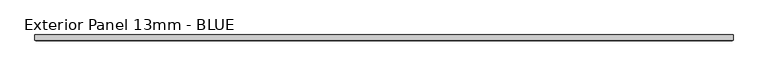
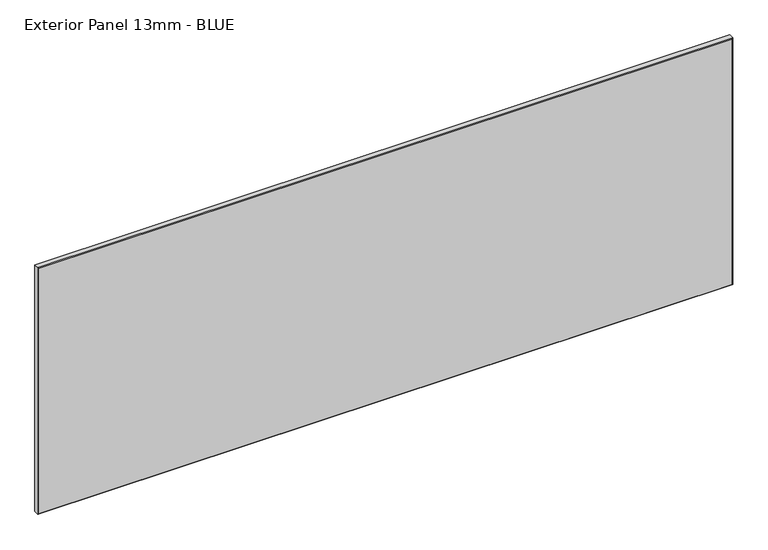
"""IFC4 building model written with IfcOpenShell, lengths in millimetres: proxy geometry, Exterior Panel 13mm - BLUE."""

from ifc_helpers import new_model, si_unit, origin, place, context, project, spatial, faceted_brep, source, transform, mapped, element, save


def exterior_panel_13mm_blue_fbe3d891(model_context):
    return source(origin(), model_context, "Body", "Brep", [
        faceted_brep([(1114.425, 6.35, 571.5), (-406.4, 6.35, 571.5), (-406.4, -4.7625, 571.5), (1114.425, -4.7625, 571.5), (1114.425, 6.35, 0.0), (1114.425, -4.7625, 0.0), (-406.4, -4.7625, 0.0), (-406.4, 6.35, 0.0), (-404.8125, -6.35, 569.9125), (-404.8125, -6.35, 1.5875), (1112.8375, -6.35, 1.5875), (1112.8375, -6.35, 569.9125)], [[[0, 1, 2, 3]], [[4, 5, 6, 7]], [[1, 0, 4, 7]], [[2, 1, 7, 6]], [[8, 9, 10, 11]], [[0, 3, 5, 4]], [[2, 6, 9, 8]], [[5, 3, 11, 10]], [[3, 2, 8, 11]], [[6, 5, 10, 9]]]),
    ])


if __name__ == "__main__":
    model = new_model("IFC4")
    model_context = context("Model", 3, world=origin())
    ifc_project = project(units=[si_unit("LENGTHUNIT", "METRE", prefix="MILLI")], contexts=[model_context])
    site = spatial("IfcSite", under=ifc_project)
    building = spatial("IfcBuilding", under=site)
    placement = place(None, origin())
    exterior_panel_13mm_blue_shape = exterior_panel_13mm_blue_fbe3d891(model_context)
    element("IfcBuildingElementProxy", 1, Name="Exterior Panel 13mm - BLUE", ObjectType="Exterior Panel 13mm - BLUE", at=placement, inside=building, context=model_context, shape_type="MappedRepresentation", body=[
        mapped(exterior_panel_13mm_blue_shape, transform((0.0, 0.0, 0.0), x_axis=(1.0, 0.0, 0.0), y_axis=(0.0, 1.0, 0.0), z_axis=(0.0, 0.0, 1.0))),
    ])
    save(model, "model.ifc")
